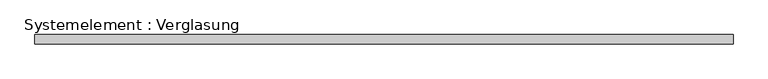
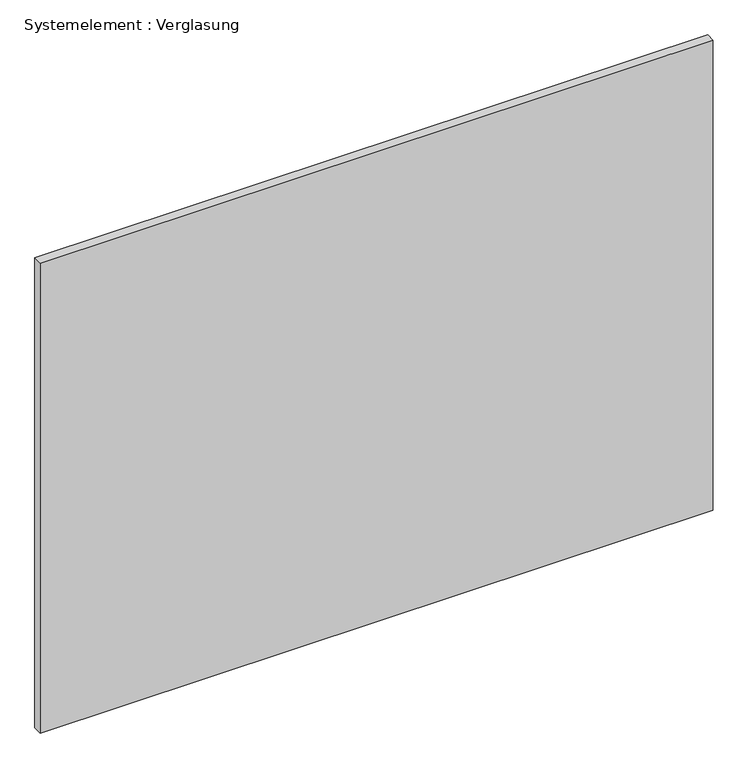
"""IFC4 building model written with IfcOpenShell, lengths in millimetres: plate geometry, Systemelement : Verglasung."""

from ifc_helpers import new_model, si_unit, origin, origin_with_axes, place, context, project, spatial, polyline, outline, extrude, source, transform, mapped, element, save


def systemelement_verglasung_7693951e(model_context):
    return source(origin(), model_context, "Body", "SweptSolid", [
        extrude(outline(polyline([(1117.4678258, -15.0), (-1117.4678258, -15.0), (-1117.4678258, 15.0), (1117.4678258, 15.0), (1117.4678258, -15.0)])), origin_with_axes(), (0.0, 0.0, 1.0), 1650.0),
    ])


if __name__ == "__main__":
    model = new_model("IFC4")
    model_context = context("Model", 3, world=origin())
    ifc_project = project(units=[si_unit("LENGTHUNIT", "METRE", prefix="MILLI")], contexts=[model_context])
    site = spatial("IfcSite", under=ifc_project)
    building = spatial("IfcBuilding", under=site)
    placement = place(None, origin())
    systemelement_verglasung_shape = systemelement_verglasung_7693951e(model_context)
    element("IfcPlate", 1, ObjectType="Systemelement : Verglasung", at=placement, inside=building, context=model_context, shape_type="MappedRepresentation", body=[
        mapped(systemelement_verglasung_shape, transform((0.0, 0.0, 0.0), x_axis=(1.0, 0.0, 0.0), y_axis=(0.0, 1.0, 0.0), z_axis=(0.0, 0.0, 1.0))),
    ])
    save(model, "model.ifc")
